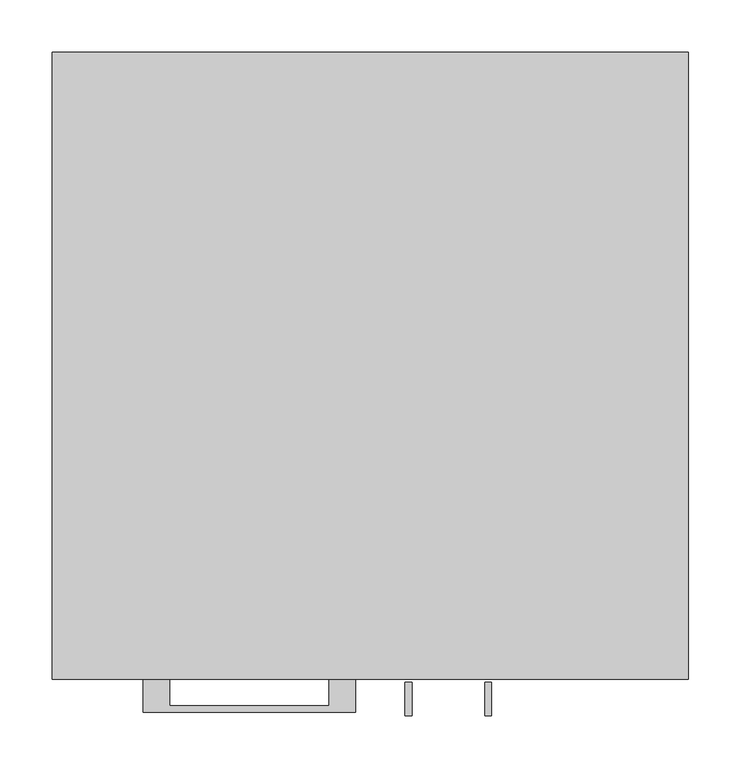
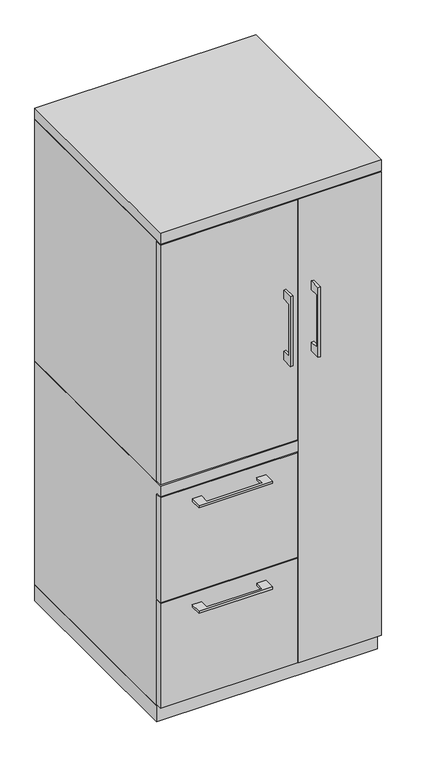
"""IFC4 building model written with IfcOpenShell, lengths in millimetres: furniture geometry."""

from ifc_helpers import new_model, si_unit, frame, origin, origin_with_axes, place, context, project, spatial, polyline, outline, extrude, faceted_brep, source, transform, mapped, element, save


def furniture_5d2c18c2(model_context):
    return source(origin(), model_context, "Body", "SolidModel", [
        extrude(outline(polyline([(-603.25, 1127.125), (-628.6499758, 1127.125), (-628.6499758, 974.725), (-603.25, 974.725), (-603.25, 949.325), (-634.9999879, 949.325), (-634.9999879, 1152.525), (-603.25, 1152.525), (-603.25, 1127.125)])), frame((33.3375121, 0.0, 0.0), z_axis=(1.0, 0.0, 0.0), x_axis=(0.0, 1.0, 0.0)), (0.0, 0.0, 1.0), 6.3499758),
        extrude(outline(polyline([(-304.8, -600.075), (-304.8, -581.025), (73.025, -581.025), (73.025, -600.075), (-304.8, -600.075)])), frame((0.0, 0.0, 701.675), z_axis=(0.0, 0.0, 1.0), x_axis=(1.0, 0.0, 0.0)), (0.0, 0.0, 1.0), 698.5),
        extrude(outline(polyline([(-192.0874818, -600.075), (-192.0874818, -625.4749758), (-39.6875, -625.4749758), (-39.6875, -600.075), (-14.2875061, -600.075), (-14.2875061, -631.8249879), (-217.4874939, -631.8249879), (-217.4874939, -600.075), (-192.0874818, -600.075)])), frame((0.0, 0.0, 623.8875506), z_axis=(0.0, 0.0, 1.0), x_axis=(1.0, 0.0, 0.0)), (0.0, 0.0, 1.0), 6.3499758),
        extrude(outline(polyline([(73.025, -581.025), (73.025, -600.075), (-304.8, -600.075), (-304.8, -581.025), (73.025, -581.025)])), frame((0.0, 0.0, 358.775), z_axis=(0.0, 0.0, 1.0), x_axis=(1.0, 0.0, 0.0)), (0.0, 0.0, 1.0), 304.8),
        extrude(outline(polyline([(-603.25, 1127.125), (-628.6499758, 1127.125), (-628.6499758, 974.725), (-603.25, 974.725), (-603.25, 949.325), (-634.9999879, 949.325), (-634.9999879, 1152.525), (-603.25, 1152.525), (-603.25, 1127.125)])), frame((109.5375121, 0.0, 0.0), z_axis=(1.0, 0.0, 0.0), x_axis=(0.0, 1.0, 0.0)), (0.0, 0.0, 1.0), 6.3499758),
        extrude(outline(polyline([(304.8, -600.075), (76.2, -600.075), (76.2, -581.025), (304.8, -581.025), (304.8, -600.075)])), frame((0.0, 0.0, 50.8), z_axis=(0.0, 0.0, 1.0), x_axis=(1.0, 0.0, 0.0)), (0.0, 0.0, 1.0), 1349.375),
        extrude(outline(polyline([(-192.0874818, -600.075), (-192.0874818, -625.4749758), (-39.6875, -625.4749758), (-39.6875, -600.075), (-14.2875061, -600.075), (-14.2875061, -631.8249879), (-217.4874939, -631.8249879), (-217.4874939, -600.075), (-192.0874818, -600.075)])), frame((0.0, 0.0, 315.9125506), z_axis=(0.0, 0.0, 1.0), x_axis=(1.0, 0.0, 0.0)), (0.0, 0.0, 1.0), 6.3499758),
        extrude(outline(polyline([(73.025, -581.025), (73.025, -600.075), (-304.8, -600.075), (-304.8, -581.025), (73.025, -581.025)])), frame((0.0, 0.0, 50.8), z_axis=(0.0, 0.0, 1.0), x_axis=(1.0, 0.0, 0.0)), (0.0, 0.0, 1.0), 304.8),
        faceted_brep([(-304.8, -581.025, 47.625), (-304.8, 0.0, 47.625), (76.2, 0.0, 47.625), (76.2, -581.025, 47.625), (-304.8, 0.0, 698.5), (76.2, 0.0, 698.5), (-304.8, -581.025, 666.75), (-304.8, -600.075, 666.75), (-304.8, -600.075, 698.5), (76.2, -581.025, 666.75), (57.15, -581.025, 666.75), (76.2, -581.025, 1403.35), (57.15, -581.025, 1403.35), (57.15, -581.025, 698.5), (76.2, -581.025, 698.5), (76.2, -19.05, 698.5), (76.2, -19.05, 1403.35), (76.2, -600.075, 698.5), (76.2, -600.075, 666.75), (57.15, -19.05, 1403.35), (57.15, -19.05, 698.5)], [[[0, 1, 2, 3]], [[2, 1, 4, 5]], [[4, 1, 0, 6, 7, 8]], [[6, 0, 3, 9, 10]], [[11, 12, 13, 14]], [[2, 5, 15, 16, 11, 14, 17, 18, 9, 3]], [[16, 19, 12, 11]], [[19, 16, 15, 20]], [[12, 19, 20, 13]], [[5, 4, 8, 17, 14, 13, 20, 15]], [[18, 7, 6, 10, 9]], [[17, 8, 7, 18]]]),
        extrude(outline(polyline([(76.2, 0.0), (76.2, -19.05), (-285.75, -19.05), (-285.75, -581.025), (-304.8, -581.025), (-304.8, 0.0), (76.2, 0.0)])), frame((0.0, 0.0, 698.5), z_axis=(0.0, 0.0, 1.0), x_axis=(1.0, 0.0, 0.0)), (0.0, 0.0, 1.0), 704.85),
        extrude(outline(polyline([(304.8, 0.0), (304.8, -581.025), (285.75, -581.025), (285.75, -19.05), (76.2, -19.05), (76.2, 0.0), (304.8, 0.0)])), frame((0.0, 0.0, 47.625), z_axis=(0.0, 0.0, 1.0), x_axis=(1.0, 0.0, 0.0)), (0.0, 0.0, 1.0), 1355.725),
        extrude(outline(polyline([(304.8, 0.0), (304.8, -600.075), (-304.8, -600.075), (-304.8, 0.0), (304.8, 0.0)])), frame((0.0, 0.0, 1403.35), z_axis=(0.0, 0.0, 1.0), x_axis=(1.0, 0.0, 0.0)), (0.0, 0.0, 1.0), 31.75),
        extrude(outline(polyline([(304.8, 0.0), (304.8, -581.025), (-304.8, -581.025), (-304.8, 0.0), (304.8, 0.0)])), origin_with_axes(), (0.0, 0.0, 1.0), 47.625),
    ])


if __name__ == "__main__":
    model = new_model("IFC4")
    model_context = context("Model", 3, world=origin())
    ifc_project = project(units=[si_unit("LENGTHUNIT", "METRE", prefix="MILLI")], contexts=[model_context])
    site = spatial("IfcSite", under=ifc_project)
    building = spatial("IfcBuilding", under=site)
    placement = place(None, origin())
    furniture_shape = furniture_5d2c18c2(model_context)
    element("IfcFurniture", 1, at=placement, inside=building, context=model_context, shape_type="MappedRepresentation", body=[
        mapped(furniture_shape, transform((0.0, 0.0, 0.0), x_axis=(1.0, 0.0, 0.0), y_axis=(0.0, 1.0, 0.0), z_axis=(0.0, 0.0, 1.0))),
    ])
    save(model, "model.ifc")
